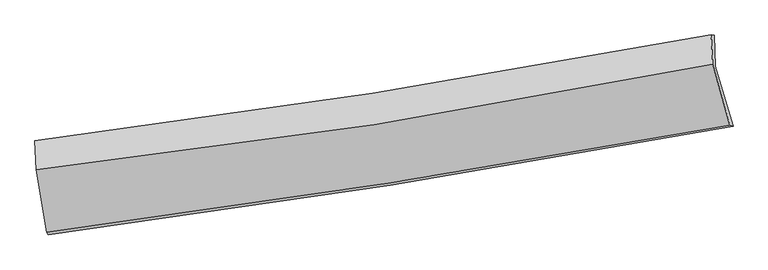
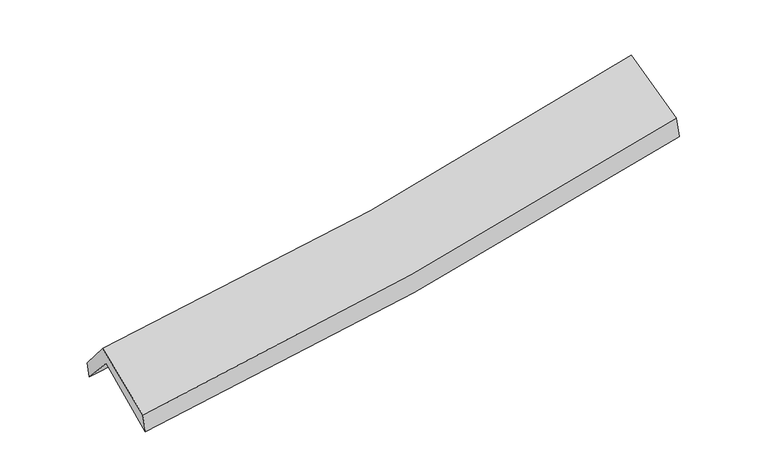
"""IFC4 building model written with IfcOpenShell, lengths in millimetres: proxy geometry."""

import ifcopenshell
import ifcopenshell.guid

model = None  # the IFC model being written
_history = None  # IfcOwnerHistory: only IFC2X3 demands one
_inside = {}  # id of a spatial element -> (the spatial element, [elements in it])
_under = {}  # id of a project, library or spatial element -> (it, [spatial elements below it])
_declared = {}  # id of a project -> (the project, [libraries it declares])
_typed = {}  # id of a type object -> (the type object, [elements of that type])
_made_of = {}  # id of a material, layer set ... -> (it, [elements and type objects made of it])


def new_model(schema):
    """Start an empty IFC model of exactly this schema.

    Asked for "IFC4X3", IfcOpenShell would pick the latest addendum, in which some entities
    have other attributes; the version numbers below select the first issue.
    IFC2X3 requires an IfcOwnerHistory on every rooted entity: one is made here for all.
    """
    global model, _history
    if schema == "IFC4X3":
        model = ifcopenshell.file(schema_version=(4, 3, 0, 0))
    else:
        model = ifcopenshell.file(schema=schema)
    _inside.clear()
    _under.clear()
    _declared.clear()
    _typed.clear()
    _made_of.clear()
    _history = None
    if model.schema == "IFC2X3":
        org = make("IfcOrganization", Name="unknown")
        user = make(
            "IfcPersonAndOrganization",
            ThePerson=make("IfcPerson", FamilyName="unknown"),
            TheOrganization=org,
        )
        app = make(
            "IfcApplication",
            ApplicationDeveloper=org,
            Version="unknown",
            ApplicationFullName="unknown",
            ApplicationIdentifier="unknown",
        )
        _history = make(
            "IfcOwnerHistory",
            OwningUser=user,
            OwningApplication=app,
            ChangeAction="ADDED",
            CreationDate=0,
        )
    return model


def make(cls, **values):
    """One entity of the class cls with the attributes given. An attribute that is None is left unset."""
    return model.create_entity(
        cls, **{name: value for name, value in values.items() if value is not None}
    )


def rooted(cls, **values):
    """An entity with a GlobalId (a new one), such as an element, a storey or a relation."""
    return make(cls, GlobalId=ifcopenshell.guid.new(), OwnerHistory=_history, **values)


def si_unit(unit_type, name, prefix=None):
    """IfcSIUnit, for example si_unit("LENGTHUNIT", "METRE", prefix="MILLI")."""
    return make("IfcSIUnit", UnitType=unit_type, Prefix=prefix, Name=name)


def assignment(units):
    """IfcUnitAssignment: the units of a project."""
    return None if units is None else make("IfcUnitAssignment", Units=units)


def point(xyz):
    """IfcCartesianPoint."""
    return None if xyz is None else make("IfcCartesianPoint", Coordinates=xyz)


def direction(xyz):
    """IfcDirection."""
    return None if xyz is None else make("IfcDirection", DirectionRatios=xyz)


def frame(location, z_axis=None, x_axis=None):
    """IfcAxis2Placement3D, a coordinate frame: its origin and axes. An axis left out is left unset."""
    return make(
        "IfcAxis2Placement3D",
        Location=point(location),
        Axis=direction(z_axis),
        RefDirection=direction(x_axis),
    )


def origin():
    """The frame at (0, 0, 0) with its axes left unset."""
    return frame((0.0, 0.0, 0.0))


def place(relative_to, where):
    """IfcLocalPlacement: puts the frame where relative to a parent placement (None: the world)."""
    return make(
        "IfcLocalPlacement", PlacementRelTo=relative_to, RelativePlacement=where
    )


def context(
    kind, dimensions, precision=None, world=None, true_north=None, identifier=None
):
    """IfcGeometricRepresentationContext, for example the 3D "Model" context."""
    return make(
        "IfcGeometricRepresentationContext",
        ContextIdentifier=identifier,
        ContextType=kind,
        CoordinateSpaceDimension=dimensions,
        Precision=precision,
        WorldCoordinateSystem=world,
        TrueNorth=true_north,
    )


def project(units=None, contexts=None):
    """IfcProject with its units and contexts."""
    return rooted(
        "IfcProject",
        Name="project",
        RepresentationContexts=contexts,
        UnitsInContext=assignment(units),
    )


def spatial(cls, under=None, at=None, **own):
    """A site, building, storey or space (cls), placed at a placement, below another one or the project."""
    s = rooted(cls, ObjectPlacement=at, **own)
    if under is not None:
        _under.setdefault(under.id(), (under, []))[1].append(s)
    return s


def shape(context_of_items, identifier, shape_type, items):
    """IfcShapeRepresentation: the items that make up one representation, for example the "Body"."""
    return make(
        "IfcShapeRepresentation",
        ContextOfItems=context_of_items,
        RepresentationIdentifier=identifier,
        RepresentationType=shape_type,
        Items=items,
    )


def source(mapping_origin, context_of_items, identifier, shape_type, items):
    """IfcRepresentationMap: a shape defined once, which mapped items show again and again."""
    return make(
        "IfcRepresentationMap",
        MappingOrigin=mapping_origin,
        MappedRepresentation=shape(context_of_items, identifier, shape_type, items),
    )


def transform(
    local_origin,
    x_axis=None,
    y_axis=None,
    z_axis=None,
    scale=None,
    scale2=None,
    scale3=None,
    uniform=True,
):
    """IfcCartesianTransformationOperator3D, or its non-uniform kind. x_axis, y_axis, z_axis: its Axis1, 2, 3."""
    if uniform:
        return make(
            "IfcCartesianTransformationOperator3D",
            Axis1=direction(x_axis),
            Axis2=direction(y_axis),
            LocalOrigin=point(local_origin),
            Scale=scale,
            Axis3=direction(z_axis),
        )
    return make(
        "IfcCartesianTransformationOperator3DnonUniform",
        Axis1=direction(x_axis),
        Axis2=direction(y_axis),
        LocalOrigin=point(local_origin),
        Scale=scale,
        Axis3=direction(z_axis),
        Scale2=scale2,
        Scale3=scale3,
    )


def mapped(mapping_source, mapping_target):
    """IfcMappedItem: shows the shape of a source again, moved by a transform."""
    return make(
        "IfcMappedItem", MappingSource=mapping_source, MappingTarget=mapping_target
    )


def made_of(thing, what):
    """Note that an element or type object is made of a material, layer set ...; save() writes the relation."""
    if what is not None:
        _made_of.setdefault(what.id(), (what, []))[1].append(thing)
    return thing


def element(
    cls,
    number,
    at=None,
    inside=None,
    cuts=None,
    type_object=None,
    material=None,
    context=None,
    identifier="Body",
    shape_type=None,
    held_by="IfcProductDefinitionShape",
    body=None,
    shapes=None,
    **own,
):
    """One element of the class cls, such as IfcWall. Its Tag is "e" and its number.

    at: its placement. inside: the storey or other place that contains it. cuts: it is an
    opening in that element (IfcRelVoidsElement). A single representation is given by context,
    identifier, shape_type and body (its items); several are given by shapes. held_by: the class
    of the entity that holds the representations. save() writes the other relations.
    """
    e = rooted(cls, Tag="e%d" % number, ObjectPlacement=at, **own)
    if body is not None:
        shapes = [shape(context, identifier, shape_type, body)]
    if shapes is not None:
        e.Representation = make(held_by, Representations=shapes)
    if inside is not None:
        _inside.setdefault(inside.id(), (inside, []))[1].append(e)
    if cuts is not None:
        rooted(
            "IfcRelVoidsElement", RelatingBuildingElement=cuts, RelatedOpeningElement=e
        )
    if type_object is not None:
        _typed.setdefault(type_object.id(), (type_object, []))[1].append(e)
    return made_of(e, material)


def aggregate(whole, parts):
    """IfcRelAggregates: a whole, such as a stair, and the parts it consists of."""
    return rooted("IfcRelAggregates", RelatingObject=whole, RelatedObjects=parts)


def save(model, path):
    """Write the relations noted so far, then the file.

    IfcRelAggregates (storeys below a building ...), IfcRelContainedInSpatialStructure (elements
    in a storey), IfcRelDefinesByType, IfcRelAssociatesMaterial and IfcRelDeclares: one each for
    every whole, place, type object, material and project.
    """
    for whole, parts in _under.values():
        aggregate(whole, parts)
    for where, things in _inside.values():
        rooted(
            "IfcRelContainedInSpatialStructure",
            RelatedElements=things,
            RelatingStructure=where,
        )
    for kind, things in _typed.values():
        rooted("IfcRelDefinesByType", RelatedObjects=things, RelatingType=kind)
    for what, things in _made_of.values():
        rooted("IfcRelAssociatesMaterial", RelatedObjects=things, RelatingMaterial=what)
    for by, libraries in _declared.values():
        rooted("IfcRelDeclares", RelatingContext=by, RelatedDefinitions=libraries)
    model.write(path)


def plane_surface(at):
    """IfcPlane: the flat surface through the origin of the frame at, square to its z axis."""
    return make("IfcPlane", Position=at)


def spline_curve(degree, points, multiplicities, knots, weights=None):
    """IfcBSplineCurveWithKnots; with weights, IfcRationalBSplineCurveWithKnots."""
    own = dict(
        Degree=degree,
        ControlPointsList=[point(p) for p in points],
        CurveForm="UNSPECIFIED",
        ClosedCurve=False,
        SelfIntersect=False,
        KnotMultiplicities=multiplicities,
        Knots=knots,
        KnotSpec="UNSPECIFIED",
    )
    if weights is None:
        return make("IfcBSplineCurveWithKnots", **own)
    return make("IfcRationalBSplineCurveWithKnots", WeightsData=weights, **own)


def spline_surface(u_degree, v_degree, points, u_multiplicities, v_multiplicities, u_knots, v_knots, weights=None):
    """IfcBSplineSurfaceWithKnots; with weights, IfcRationalBSplineSurfaceWithKnots. points: one row for each step in u."""
    own = dict(
        UDegree=u_degree,
        VDegree=v_degree,
        ControlPointsList=[[point(p) for p in row] for row in points],
        SurfaceForm="UNSPECIFIED",
        UClosed=False,
        VClosed=False,
        SelfIntersect=False,
        UMultiplicities=u_multiplicities,
        VMultiplicities=v_multiplicities,
        UKnots=u_knots,
        VKnots=v_knots,
        KnotSpec="UNSPECIFIED",
    )
    if weights is None:
        return make("IfcBSplineSurfaceWithKnots", **own)
    return make("IfcRationalBSplineSurfaceWithKnots", WeightsData=weights, **own)


def advanced_brep(points, edges, surfaces, faces):
    """IfcAdvancedBrep: a solid bounded by faces that lie on surfaces and meet in shared edges.

    An edge is (start, end): straight between two places in points (the first is 0);
    or (start, end, curve); or (start, end, curve, False) where it runs against its curve.
    A face is (place in surfaces, loops), or (place, loops, False) where it looks against
    its surface's normal. A loop lists edges by number (the first is 1), with a minus sign
    where the edge is run from its end to its start. The first loop is the outer one.
    """
    corners = [point(p) for p in points]
    vertices = [make("IfcVertexPoint", VertexGeometry=c) for c in corners]
    made = []
    for start, end, *more in edges:
        made.append(
            make(
                "IfcEdgeCurve",
                EdgeStart=vertices[start],
                EdgeEnd=vertices[end],
                EdgeGeometry=more[0] if more else make("IfcPolyline", Points=[corners[start], corners[end]]),
                SameSense=more[1] if len(more) > 1 else True,
            )
        )
    hull = []
    for where, loops, *sense in faces:
        bounds = []
        for j, loop in enumerate(loops):
            ring = [make("IfcOrientedEdge", EdgeElement=made[abs(k) - 1], Orientation=k > 0) for k in loop]
            bounds.append(
                make(
                    "IfcFaceOuterBound" if j == 0 else "IfcFaceBound",
                    Bound=make("IfcEdgeLoop", EdgeList=ring),
                    Orientation=True,
                )
            )
        hull.append(make("IfcAdvancedFace", Bounds=bounds, FaceSurface=surfaces[where], SameSense=sense[0] if sense else True))
    return make("IfcAdvancedBrep", Outer=make("IfcClosedShell", CfsFaces=hull))


def generic_models_ff24b5ac(model_context):
    return source(origin(), model_context, "Body", "AdvancedBrep", [
        advanced_brep(
        [(-2799.0703007, -2526.905702, 1464.8395849), (-2889.2830226, -2013.3771649, 1897.704113), (2821.4804836, -1105.3372765, 2403.8940625), (2971.6610012, -1613.5440918, 1961.2718118), (-2900.4419607, -1749.5552464, 1599.4036955), (2813.5777883, -845.7741706, 2078.1800804), (-2911.9888312, -1733.6661207, 1742.3574381), (2786.4799873, -842.0716796, 2289.9529197), (-2902.6305925, -1979.9321773, 2036.4653441), (2800.620557, -1090.7283664, 2549.290403), (-2812.500689, -2507.0239996, 1628.6513114), (2945.3992018, -1604.2001111, 2157.8831914)],
        [
            (0, 1),
            (1, 2, spline_curve(3, [(-2889.2830226, -2013.3771649, 1897.704113), (-1932.358773943, -1903.482761519, 1940.29226199), (-980.545975184, -1773.384734788, 2003.428921947), (923.153655899, -1471.146657309, 2171.709476438), (1874.928692573, -1298.564721159, 2277.302800038), (2821.4804836, -1105.3372765, 2403.8940625)], [4, 2, 4], [0.0, 9.522781688582969, 19.14913928115494])),
            (2, 3),
            (3, 0, spline_curve(3, [(2971.6610012, -1613.5440918, 1961.2718118), (2011.558125302, -1792.018562979, 1838.308807585), (1047.992671802, -1957.71219818, 1735.341764653), (-875.658540052, -2261.892514131, 1570.292338263), (-1835.670187202, -2400.65274903, 1507.781972481), (-2799.0703007, -2526.905702, 1464.8395849)], [4, 2, 4], [0.0, 9.626357592571972, 19.14913928115494])),
            (1, 4),
            (4, 5, spline_curve(3, [(-2900.4419607, -1749.5552464, 1599.4036955), (-1944.309217189, -1632.315116592, 1635.417533803), (-992.625885275, -1498.875432814, 1692.98944061), (912.144679771, -1197.969383901, 1852.110059541), (1865.134597827, -1030.148709325, 1954.13028109), (2813.5777883, -845.7741706, 2078.1800804)], [4, 2, 4], [0.0, 9.475491281093886, 19.05404410526146])),
            (5, 2),
            (4, 6),
            (6, 7, spline_curve(3, [(-2911.9888312, -1733.6661207, 1742.3574381), (-1959.150974245, -1615.737351175, 1800.186291644), (-1010.405926654, -1482.956081508, 1874.397756996), (889.173195722, -1186.082781971, 2056.571270305), (1839.917754348, -1021.665904839, 2164.89163226), (2786.4799873, -842.0716796, 2289.9529197)], [4, 2, 4], [0.0, 9.465418354956082, 19.033788693356676])),
            (7, 5),
            (6, 8),
            (8, 9, spline_curve(3, [(-2902.6305925, -1979.9321773, 2036.4653441), (-1947.724501847, -1873.957813599, 2089.567084438), (-997.545515976, -1747.383146984, 2158.535933604), (903.641589676, -1451.432438102, 2329.130581295), (1854.546320229, -1281.605834411, 2431.103417983), (2800.620557, -1090.7283664, 2549.290403)], [4, 2, 4], [0.0, 9.457287508336687, 19.017438563795775])),
            (9, 7),
            (8, 10),
            (10, 11, spline_curve(3, [(-2812.500689, -2507.0239996, 1628.6513114), (-1851.604710251, -2379.98116325, 1680.796462586), (-893.909650675, -2241.692520133, 1750.63691481), (1025.460322203, -1940.997187326, 1926.660517398), (1987.065226183, -1778.344534319, 2033.230691611), (2945.3992018, -1604.2001111, 2157.8831914)], [4, 2, 4], [0.0, 9.504765775993654, 19.112911503313146])),
            (11, 9),
            (10, 0),
            (3, 11),
        ],
        [
            spline_surface(3, 3, [[(-2799.0703007, -2526.905702, 1464.8395849), (-1835.670187245, -2400.652748966, 1507.781972336), (-875.65854001, -2261.892514124, 1570.292338365), (1047.992671759, -1957.712198187, 1735.341764549), (2011.558125164, -1792.018562952, 1838.308807486), (2971.6610012, -1613.5440918, 1961.2718118)], [(-2829.141207992, -2355.72952297, 1609.127760918), (-1867.899716116, -2234.929419809, 1651.952068918), (-910.621018387, -2099.056587662, 1714.671199524), (1006.379666438, -1795.52368455, 1880.797668512), (1966.014980939, -1627.533949041, 1984.640138273), (2921.600828681, -1444.141820028, 2108.812562023)], [(-2859.212115308, -2184.55334393, 1753.415936982), (-1900.12924501, -2069.206090643, 1796.122165547), (-945.583496734, -1936.220661241, 1859.050060736), (964.766661146, -1633.335170955, 2026.253572529), (1920.471836672, -1463.049335144, 2130.971469091), (2871.540656119, -1274.739548272, 2256.353312277)], [(-2889.2830226, -2013.3771649, 1897.704113), (-1932.358773881, -1903.482761487, 1940.292262128), (-980.545975111, -1773.384734779, 2003.428921895), (923.153655825, -1471.146657318, 2171.709476491), (1874.928692448, -1298.564721233, 2277.302799878), (2821.4804836, -1105.3372765, 2403.8940625)]], [4, 4], [4, 2, 4], [0.0, 2.176078782280267], [0.0, 9.522781688582969, 19.14913928115494]),
            spline_surface(3, 3, [[(-2889.2830226, -2013.3771649, 1897.704113), (-1932.358773881, -1903.482761487, 1940.292262128), (-980.545975111, -1773.384734779, 2003.428921895), (923.153655825, -1471.146657318, 2171.709476491), (1874.928692448, -1298.564721233, 2277.302799878), (2821.4804836, -1105.3372765, 2403.8940625)], [(-2893.002668627, -1925.4365254, 1798.27064049), (-1936.34225496, -1813.093546528, 1838.667352672), (-984.572611896, -1681.881634093, 1899.949094779), (919.483997178, -1380.087566249, 2065.176337546), (1871.663994255, -1209.092717292, 2169.578626977), (2818.846251814, -1018.816241205, 2295.32273514)], [(-2896.722314673, -1837.4958859, 1698.83716801), (-1940.325736057, -1722.704331569, 1737.042443246), (-988.599248642, -1590.37853335, 1796.469267637), (915.814338572, -1289.028475122, 1958.643198576), (1868.399296121, -1119.620713337, 2061.854454057), (2816.212020086, -932.295205895, 2186.75140776)], [(-2900.4419607, -1749.5552464, 1599.4036955), (-1944.309217136, -1632.31511661, 1635.41753379), (-992.625885427, -1498.875432664, 1692.98944052), (912.144679926, -1197.969384053, 1852.110059631), (1865.134597928, -1030.148709396, 1954.130281156), (2813.5777883, -845.7741706, 2078.1800804)]], [4, 4], [4, 2, 4], [0.0, 1.3700700962067835], [0.0, 9.475491281093886, 19.05404410526146]),
            spline_surface(3, 3, [[(-2900.4419607, -1749.5552464, 1599.4036955), (-1944.309217136, -1632.31511661, 1635.41753379), (-992.625885427, -1498.875432664, 1692.98944052), (912.144679926, -1197.969384053, 1852.110059631), (1865.134597928, -1030.148709396, 1954.130281156), (2813.5777883, -845.7741706, 2078.1800804)], [(-2904.290917537, -1744.258871177, 1647.054943037), (-1949.256469524, -1626.789194766, 1690.340453088), (-998.552565835, -1493.568982227, 1753.458879314), (904.487518535, -1194.007183404, 1920.263796537), (1856.728983395, -1027.321107867, 2024.384064857), (2804.545187979, -844.540006956, 2148.77102681)], [(-2908.139874363, -1738.962495923, 1694.706190563), (-1954.203721902, -1621.263272891, 1745.263372374), (-1004.47924626, -1488.262531801, 1813.928318134), (896.830357127, -1190.044982766, 1988.417533469), (1848.323368825, -1024.49350627, 2094.637848628), (2795.512587621, -843.305843244, 2219.36197329)], [(-2911.9888312, -1733.6661207, 1742.3574381), (-1959.15097429, -1615.737351047, 1800.186291671), (-1010.405926667, -1482.956081363, 1874.397756927), (889.173195736, -1186.082782118, 2056.571270374), (1839.917754292, -1021.665904741, 2164.891632328), (2786.4799873, -842.0716796, 2289.9529197)]], [4, 4], [4, 2, 4], [0.0, 0.6385493433864994], [0.0, 9.465418354956082, 19.033788693356676]),
            spline_surface(3, 3, [[(-2911.9888312, -1733.6661207, 1742.3574381), (-1959.15097429, -1615.737351047, 1800.186291671), (-1010.405926667, -1482.956081363, 1874.397756927), (889.173195736, -1186.082782118, 2056.571270374), (1839.917754292, -1021.665904741, 2164.891632328), (2786.4799873, -842.0716796, 2289.9529197)], [(-2908.869418288, -1815.754806221, 1840.393406784), (-1955.342150172, -1701.810838578, 1896.646555913), (-1006.119123117, -1571.098436575, 1969.110482527), (893.995993746, -1274.532667429, 2147.424373958), (1844.793942981, -1108.312547945, 2253.628894251), (2791.193510545, -924.957241838, 2376.398747477)], [(-2905.750005412, -1897.843491779, 1938.429375416), (-1951.533326091, -1787.884326147, 1993.106820101), (-1001.832319591, -1659.240791804, 2063.82320815), (898.818791732, -1362.982552759, 2238.277477565), (1849.670131635, -1194.959191236, 2342.366156144), (2795.907033755, -1007.842804162, 2462.844575223)], [(-2902.6305925, -1979.9321773, 2036.4653441), (-1947.724501972, -1873.957813678, 2089.567084342), (-997.545516041, -1747.383147015, 2158.535933749), (903.641589742, -1451.43243807, 2329.130581149), (1854.546320324, -1281.60583444, 2431.103418067), (2800.620557, -1090.7283664, 2549.290403)]], [4, 4], [4, 2, 4], [0.0, 1.26130397633576], [0.0, 9.457287508336687, 19.017438563795775]),
            spline_surface(3, 3, [[(-2902.6305925, -1979.9321773, 2036.4653441), (-1947.724501972, -1873.957813678, 2089.567084342), (-997.545516041, -1747.383147015, 2158.535933749), (903.641589742, -1451.43243807, 2329.130581149), (1854.546320324, -1281.60583444, 2431.103418067), (2800.620557, -1090.7283664, 2549.290403)], [(-2872.58729135, -2155.629451424, 1900.52733319), (-1915.684571364, -2042.632263512, 1953.310210406), (-963.000227572, -1912.152938008, 2022.56959415), (944.247833883, -1614.620687872, 2194.973893187), (1898.719288975, -1447.185401124, 2298.479175893), (2848.880105262, -1261.885614649, 2418.821332466)], [(-2842.54399015, -2331.326725476, 1764.58932231), (-1883.644640707, -2211.306713274, 1817.0533365), (-928.454939105, -2076.922728996, 1886.603254547), (984.854078022, -1777.808937669, 2060.817205221), (1942.892257638, -1612.764967761, 2165.854933721), (2897.139653538, -1433.042862851, 2288.352261934)], [(-2812.500689, -2507.0239996, 1628.6513114), (-1851.604710099, -2379.981163108, 1680.796462564), (-893.909650636, -2241.692519989, 1750.636914948), (1025.460322164, -1940.997187471, 1926.660517259), (1987.065226289, -1778.344534446, 2033.230691547), (2945.3992018, -1604.2001111, 2157.8831914)]], [4, 4], [4, 2, 4], [0.0, 2.1233343429952436], [0.0, 9.504765775993654, 19.112911503313146]),
            spline_surface(3, 3, [[(-2812.500689, -2507.0239996, 1628.6513114), (-1851.604710099, -2379.981163108, 1680.796462564), (-893.909650636, -2241.692519989, 1750.636914948), (1025.460322164, -1940.997187471, 1926.660517259), (1987.065226289, -1778.344534446, 2033.230691547), (2945.3992018, -1604.2001111, 2157.8831914)], [(-2808.023892906, -2513.651233708, 1574.047402581), (-1846.293202487, -2386.871691702, 1623.124965835), (-887.825947086, -2248.425851371, 1690.522056112), (1032.97110537, -1946.568857713, 1862.887599714), (1995.229525899, -1782.902543939, 1968.256730211), (2954.153134919, -1607.314771324, 2092.346064885)], [(-2803.547096794, -2520.278467892, 1519.443493719), (-1840.981694857, -2393.762220372, 1565.453469065), (-881.74224356, -2255.159182743, 1630.407197201), (1040.481888553, -1952.140527945, 1799.114682094), (2003.393825554, -1787.460553459, 1903.282768821), (2962.907068081, -1610.429431576, 2026.808938315)], [(-2799.0703007, -2526.905702, 1464.8395849), (-1835.670187245, -2400.652748966, 1507.781972336), (-875.65854001, -2261.892514124, 1570.292338365), (1047.992671759, -1957.712198187, 1735.341764549), (2011.558125164, -1792.018562952, 1838.308807486), (2971.6610012, -1613.5440918, 1961.2718118)]], [4, 4], [4, 2, 4], [0.0, 0.6165199899164775], [0.0, 9.560461113887463, 19.224907957449883]),
            plane_surface(frame((2856.5365032, -1183.6092827, 2240.0787448), z_axis=(0.9756753401512182, 0.18236621494369354, 0.12165604903955801), x_axis=(0.21880630710584303, -0.7760181512727229, -0.5915400484041372))),
            plane_surface(frame((-2869.3192328, -2085.0767351, 1728.2369145), z_axis=(-0.9907992558789634, -0.11761606161291571, -0.06695742378824877), x_axis=(-0.08112123110766137, 0.12008797774734098, 0.989443390732452))),
        ],
        [
            (0, [[1, 2, 3, 4]]),
            (1, [[5, 6, 7, -2]]),
            (2, [[8, 9, 10, -6]]),
            (3, [[11, 12, 13, -9]]),
            (4, [[14, 15, 16, -12]]),
            (5, [[17, -4, 18, -15]]),
            (6, [[-16, -18, -3, -7, -10, -13]]),
            (7, [[-17, -14, -11, -8, -5, -1]]),
        ],
    ),
    ])


if __name__ == "__main__":
    model = new_model("IFC4")
    model_context = context("Model", 3, world=origin())
    ifc_project = project(units=[si_unit("LENGTHUNIT", "METRE", prefix="MILLI")], contexts=[model_context])
    site = spatial("IfcSite", under=ifc_project)
    building = spatial("IfcBuilding", under=site)
    placement = place(None, origin())
    generic_models_shape = generic_models_ff24b5ac(model_context)
    element("IfcBuildingElementProxy", 1, Name="Generic Models", at=placement, inside=building, context=model_context, shape_type="MappedRepresentation", body=[
        mapped(generic_models_shape, transform((0.0, 0.0, 0.0), x_axis=(1.0, 0.0, 0.0), y_axis=(0.0, 1.0, 0.0), z_axis=(0.0, 0.0, 1.0))),
    ])
    save(model, "model.ifc")
